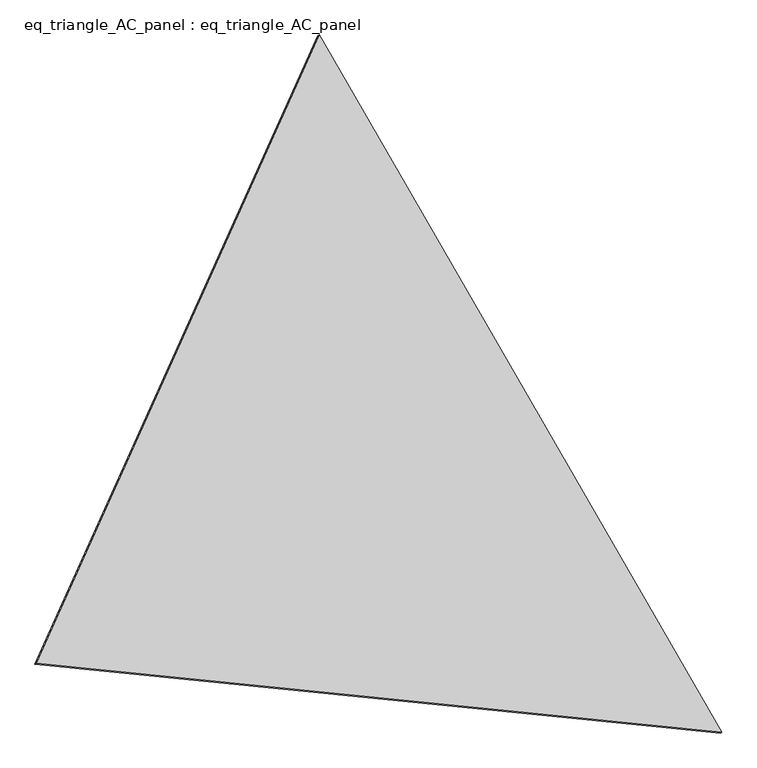
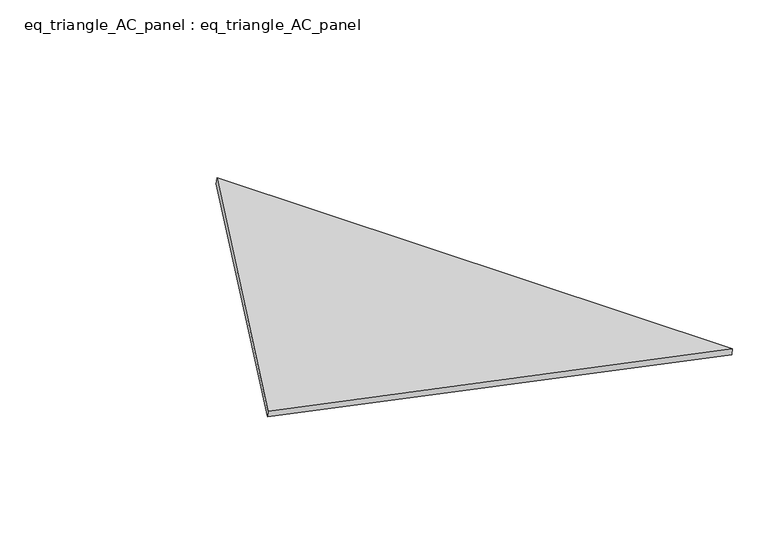
"""IFC4 building model written with IfcOpenShell, lengths in millimetres: proxy geometry, eq_triangle_AC_panel : eq_triangle_AC_panel."""

from ifc_helpers import new_model, si_unit, frame, origin, place, context, project, spatial, polyline, outline, extrude, source, transform, mapped, element, save


def eq_triangle_ac_panel_eq_triangle_ac_panel_068f6c59(model_context):
    return source(origin(), model_context, "Body", "SweptSolid", [
        extrude(outline(polyline([(-2017.7410617, 947.6284382), (2017.7410616, 947.6284382), (-1e-07, -1895.2568765), (-2017.7410617, 947.6284382)])), frame((-6.3631761, 524.2531996, 46.6143561), z_axis=(0.14526328517613415, 0.08386570281545361, 0.9858321976234633), x_axis=(0.5000027697419512, -0.8660238046639916, -2.383668162681701e-06)), (0.0, 0.0, 1.0), 43.8306294),
    ])


if __name__ == "__main__":
    model = new_model("IFC4")
    model_context = context("Model", 3, world=origin())
    ifc_project = project(units=[si_unit("LENGTHUNIT", "METRE", prefix="MILLI")], contexts=[model_context])
    site = spatial("IfcSite", under=ifc_project)
    building = spatial("IfcBuilding", under=site)
    placement = place(None, origin())
    eq_triangle_ac_panel_eq_triangle_ac_panel_shape = eq_triangle_ac_panel_eq_triangle_ac_panel_068f6c59(model_context)
    element("IfcBuildingElementProxy", 1, Name="eq_triangle_AC_panel : eq_triangle_AC_panel", ObjectType="eq_triangle_AC_panel : eq_triangle_AC_panel", at=placement, inside=building, context=model_context, shape_type="MappedRepresentation", body=[
        mapped(eq_triangle_ac_panel_eq_triangle_ac_panel_shape, transform((0.0, 0.0, 0.0), x_axis=(1.0, 0.0, 0.0), y_axis=(0.0, 1.0, 0.0), z_axis=(0.0, 0.0, 1.0))),
    ])
    save(model, "model.ifc")
